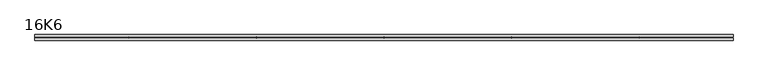
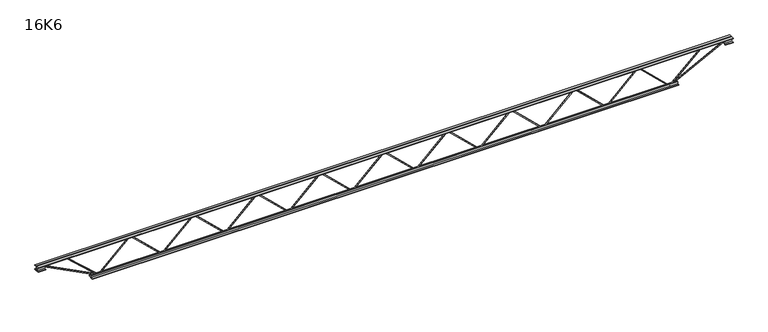
"""IFC4 building model written with IfcOpenShell, lengths in millimetres: beam geometry, 16K6."""

from ifc_helpers import new_model, si_unit, frame, origin, place, context, project, spatial, polyline, outline, extrude, source, transform, mapped, element, save


def beam_16k6_c7c388e3(model_context):
    return source(origin(), model_context, "Body", "SweptSolid", [
        extrude(outline(polyline([(-191.9, 2082.3194444), (-201.4, 2082.3194444), (-201.4, 2087.4042366), (191.9, 2497.4431254), (191.9, 2499.9735412), (-201.4, 2910.0124301), (-201.4, 2915.0972222), (-191.9, 2915.0972222), (-191.9, 2913.8320143), (201.4, 2503.7931254), (201.4, 2493.6235412), (-191.9, 2083.5846523), (-191.9, 2082.3194444)])), frame((0.0, -4.75, 0.0), z_axis=(0.0, 1.0, 0.0), x_axis=(0.0, 0.0, 1.0)), (0.0, 0.0, 1.0), 9.5),
        extrude(outline(polyline([(-191.9, 1249.4166667), (-201.4, 1249.4166667), (-201.4, 1254.5014588), (191.9, 1664.5403477), (191.9, 1667.0707634), (-201.4, 2077.1096523), (-201.4, 2082.1944444), (-191.9, 2082.1944444), (-191.9, 2080.9292366), (201.4, 1670.8903477), (201.4, 1660.7207634), (-191.9, 1250.6818746), (-191.9, 1249.4166667)])), frame((0.0, -4.75, 0.0), z_axis=(0.0, 1.0, 0.0), x_axis=(0.0, 0.0, 1.0)), (0.0, 0.0, 1.0), 9.5),
        extrude(outline(polyline([(-191.9, 416.5138889), (-201.4, 416.5138889), (-201.4, 421.598681), (191.9, 831.6375699), (191.9, 834.1679857), (-201.4, 1244.2068746), (-201.4, 1249.2916667), (-191.9, 1249.2916667), (-191.9, 1248.0264588), (201.4, 837.9875699), (201.4, 827.8179857), (-191.9, 417.7790968), (-191.9, 416.5138889)])), frame((0.0, -4.75, 0.0), z_axis=(0.0, 1.0, 0.0), x_axis=(0.0, 0.0, 1.0)), (0.0, 0.0, 1.0), 9.5),
        extrude(outline(polyline([(-191.9, -416.3888889), (-201.4, -416.3888889), (-201.4, -411.3040968), (191.9, -1.2652079), (191.9, 1.2652079), (-201.4, 411.3040968), (-201.4, 416.3888889), (-191.9, 416.3888889), (-191.9, 415.123681), (201.4, 5.0847921), (201.4, -5.0847921), (-191.9, -415.123681), (-191.9, -416.3888889)])), frame((0.0, -4.75, 0.0), z_axis=(0.0, 1.0, 0.0), x_axis=(0.0, 0.0, 1.0)), (0.0, 0.0, 1.0), 9.5),
        extrude(outline(polyline([(-191.9, -1249.2916667), (-201.4, -1249.2916667), (-201.4, -1244.2068746), (191.9, -834.1679857), (191.9, -831.6375699), (-201.4, -421.598681), (-201.4, -416.5138889), (-191.9, -416.5138889), (-191.9, -417.7790968), (201.4, -827.8179857), (201.4, -837.9875699), (-191.9, -1248.0264588), (-191.9, -1249.2916667)])), frame((0.0, -4.75, 0.0), z_axis=(0.0, 1.0, 0.0), x_axis=(0.0, 0.0, 1.0)), (0.0, 0.0, 1.0), 9.5),
        extrude(outline(polyline([(-191.9, -2082.1944444), (-201.4, -2082.1944444), (-201.4, -2077.1096523), (191.9, -1667.0707634), (191.9, -1664.5403477), (-201.4, -1254.5014588), (-201.4, -1249.4166667), (-191.9, -1249.4166667), (-191.9, -1250.6818746), (201.4, -1660.7207634), (201.4, -1670.8903477), (-191.9, -2080.9292366), (-191.9, -2082.1944444)])), frame((0.0, -4.75, 0.0), z_axis=(0.0, 1.0, 0.0), x_axis=(0.0, 0.0, 1.0)), (0.0, 0.0, 1.0), 9.5),
        extrude(outline(polyline([(-191.9, -2915.0972222), (-201.4, -2915.0972222), (-201.4, -2910.0124301), (191.9, -2499.9735412), (191.9, -2497.4431254), (-201.4, -2087.4042366), (-201.4, -2082.3194444), (-191.9, -2082.3194444), (-191.9, -2083.5846523), (201.4, -2493.6235412), (201.4, -2503.7931254), (-191.9, -2913.8320143), (-191.9, -2915.0972222)])), frame((0.0, -4.75, 0.0), z_axis=(0.0, 1.0, 0.0), x_axis=(0.0, 0.0, 1.0)), (0.0, 0.0, 1.0), 9.5),
        extrude(outline(polyline([(-191.9, 2915.2222222), (-201.4, 2915.2222222), (-201.4, 2920.3070143), (191.9, 3330.3459032), (191.9, 3332.876319), (-201.4, 3742.9152079), (-201.4, 3748.0), (-191.9, 3748.0), (-191.9, 3746.7347921), (201.4, 3336.6959032), (201.4, 3326.526319), (-191.9, 2916.4874301), (-191.9, 2915.2222222)])), frame((0.0, -4.75, 0.0), z_axis=(0.0, 1.0, 0.0), x_axis=(0.0, 0.0, 1.0)), (0.0, 0.0, 1.0), 9.5),
        extrude(outline(polyline([(-191.9, -3748.0), (-201.4, -3748.0), (-201.4, -3742.9152079), (191.9, -3332.876319), (191.9, -3330.3459032), (-201.4, -2920.3070143), (-201.4, -2915.2222222), (-191.9, -2915.2222222), (-191.9, -2916.4874301), (201.4, -3326.526319), (201.4, -3336.6959032), (-191.9, -3746.7347921), (-191.9, -3748.0)])), frame((0.0, -4.75, 0.0), z_axis=(0.0, 1.0, 0.0), x_axis=(0.0, 0.0, 1.0)), (0.0, 0.0, 1.0), 9.5),
        extrude(outline(polyline([(4.75, 203.0), (36.75, 203.0), (36.75, 196.5), (11.25, 196.5), (11.25, 171.0), (4.75, 171.0), (4.75, 203.0)])), frame((-4560.0, 0.0, 0.0), z_axis=(1.0, 0.0, 0.0), x_axis=(0.0, 1.0, 0.0)), (0.0, 0.0, 1.0), 9120.0),
        extrude(outline(polyline([(-4.75, 203.0), (-4.75, 171.0), (-11.25, 171.0), (-11.25, 196.5), (-36.75, 196.5), (-36.75, 203.0), (-4.75, 203.0)])), frame((-4560.0, 0.0, 0.0), z_axis=(1.0, 0.0, 0.0), x_axis=(0.0, 1.0, 0.0)), (0.0, 0.0, 1.0), 9120.0),
        extrude(outline(polyline([(-4.75, 139.5), (-36.75, 139.5), (-36.75, 146.0), (-11.25, 146.0), (-11.25, 171.0), (-4.75, 171.0), (-4.75, 139.5)])), frame((-4560.0, 0.0, 0.0), z_axis=(1.0, 0.0, 0.0), x_axis=(0.0, 1.0, 0.0)), (0.0, 0.0, 1.0), 100.0),
        extrude(outline(polyline([(36.75, 139.5), (4.75, 139.5), (4.75, 171.0), (11.25, 171.0), (11.25, 146.0), (36.75, 146.0), (36.75, 139.5)])), frame((-4560.0, 0.0, 0.0), z_axis=(1.0, 0.0, 0.0), x_axis=(0.0, 1.0, 0.0)), (0.0, 0.0, 1.0), 100.0),
        extrude(outline(polyline([(4.75, 139.5), (4.75, 171.0), (11.25, 171.0), (11.25, 146.0), (36.75, 146.0), (36.75, 139.5), (4.75, 139.5)])), frame((4460.0, 0.0, 0.0), z_axis=(1.0, 0.0, 0.0), x_axis=(0.0, 1.0, 0.0)), (0.0, 0.0, 1.0), 100.0),
        extrude(outline(polyline([(-4.75, 139.5), (-36.75, 139.5), (-36.75, 146.0), (-11.25, 146.0), (-11.25, 171.0), (-4.75, 171.0), (-4.75, 139.5)])), frame((4460.0, 0.0, 0.0), z_axis=(1.0, 0.0, 0.0), x_axis=(0.0, 1.0, 0.0)), (0.0, 0.0, 1.0), 100.0),
        extrude(outline(polyline([(4.75, -203.0), (4.75, -171.0), (11.25, -171.0), (11.25, -196.5), (36.75, -196.5), (36.75, -203.0), (4.75, -203.0)])), frame((-3848.0, 0.0, 0.0), z_axis=(1.0, 0.0, 0.0), x_axis=(0.0, 1.0, 0.0)), (0.0, 0.0, 1.0), 7696.0),
        extrude(outline(polyline([(-4.75, -203.0), (-36.75, -203.0), (-36.75, -196.5), (-11.25, -196.5), (-11.25, -171.0), (-4.75, -171.0), (-4.75, -203.0)])), frame((-3848.0, 0.0, 0.0), z_axis=(1.0, 0.0, 0.0), x_axis=(0.0, 1.0, 0.0)), (0.0, 0.0, 1.0), 7696.0),
        extrude(outline(polyline([(-200.8705467, -3750.1793315), (-192.4294533, -3745.8206685), (175.75, -4458.8460208), (175.75, -4560.0), (166.25, -4560.0), (166.25, -4461.1539792), (-200.8705467, -3750.1793315)])), frame((0.0, -4.75, 0.0), z_axis=(0.0, 1.0, 0.0), x_axis=(0.0, 0.0, 1.0)), (0.0, 0.0, 1.0), 9.5),
        extrude(outline(polyline([(188.7, -4184.3460317), (179.2, -4184.3460317), (179.2, -4173.4663549), (-200.1834719, -3751.1744411), (-193.1165281, -3744.8255589), (188.7, -4169.8257086), (188.7, -4184.3460317)])), frame((0.0, -4.75, 0.0), z_axis=(0.0, 1.0, 0.0), x_axis=(0.0, 0.0, 1.0)), (0.0, 0.0, 1.0), 9.5),
        extrude(outline(polyline([(0.0, -9.5), (0.0, 0.0), (801.3179909, 0.0), (801.3179909, -9.5), (0.0, -9.5)])), frame((4462.1793315, -4.75, 166.7794533), z_axis=(-0.4588066213244958, 0.0, 0.888536146832981), x_axis=(-0.888536146832981, 0.0, -0.4588066213244958)), (0.0, 0.0, 1.0), 9.5),
        extrude(outline(polyline([(0.0, -9.5), (0.0, 0.0), (583.4058929, 0.0), (583.4058929, -9.5), (0.0, -9.5)])), frame((4182.105362, -4.75, 193.1416534), z_axis=(-0.6741447160190082, 0.0, 0.7385992836874747), x_axis=(-0.7385992836874747, 0.0, -0.6741447160190082)), (0.0, 0.0, 1.0), 9.5),
    ])


if __name__ == "__main__":
    model = new_model("IFC4")
    model_context = context("Model", 3, world=origin())
    ifc_project = project(units=[si_unit("LENGTHUNIT", "METRE", prefix="MILLI")], contexts=[model_context])
    site = spatial("IfcSite", under=ifc_project)
    building = spatial("IfcBuilding", under=site)
    placement = place(None, origin())
    beam_16k6_shape = beam_16k6_c7c388e3(model_context)
    element("IfcBeam", 1, ObjectType="16K6", at=placement, inside=building, context=model_context, shape_type="MappedRepresentation", body=[
        mapped(beam_16k6_shape, transform((0.0, 0.0, 0.0), x_axis=(1.0, 0.0, 0.0), y_axis=(0.0, 1.0, 0.0), z_axis=(0.0, 0.0, 1.0))),
    ])
    save(model, "model.ifc")
